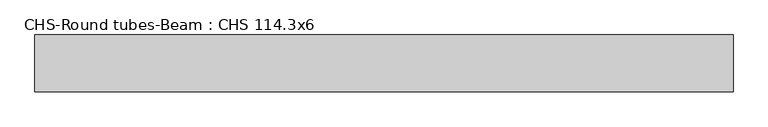
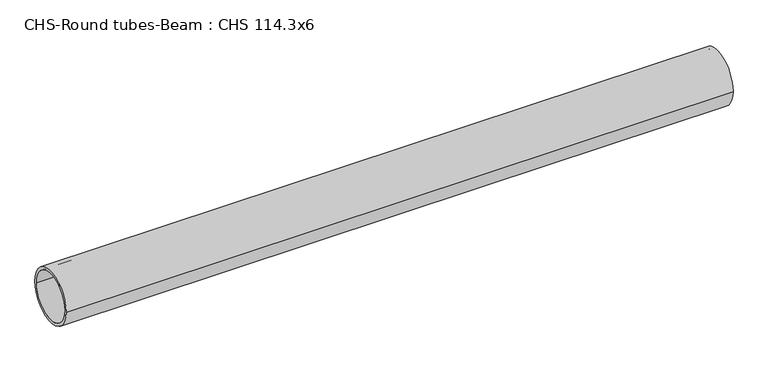
"""IFC4 building model written with IfcOpenShell, lengths in millimetres: beam geometry, CHS-Round tubes-Beam : CHS 114.3x6."""

import ifcopenshell
import ifcopenshell.guid

model = None  # the IFC model being written
_history = None  # IfcOwnerHistory: only IFC2X3 demands one
_inside = {}  # id of a spatial element -> (the spatial element, [elements in it])
_under = {}  # id of a project, library or spatial element -> (it, [spatial elements below it])
_declared = {}  # id of a project -> (the project, [libraries it declares])
_typed = {}  # id of a type object -> (the type object, [elements of that type])
_made_of = {}  # id of a material, layer set ... -> (it, [elements and type objects made of it])


def new_model(schema):
    """Start an empty IFC model of exactly this schema.

    Asked for "IFC4X3", IfcOpenShell would pick the latest addendum, in which some entities
    have other attributes; the version numbers below select the first issue.
    IFC2X3 requires an IfcOwnerHistory on every rooted entity: one is made here for all.
    """
    global model, _history
    if schema == "IFC4X3":
        model = ifcopenshell.file(schema_version=(4, 3, 0, 0))
    else:
        model = ifcopenshell.file(schema=schema)
    _inside.clear()
    _under.clear()
    _declared.clear()
    _typed.clear()
    _made_of.clear()
    _history = None
    if model.schema == "IFC2X3":
        org = make("IfcOrganization", Name="unknown")
        user = make(
            "IfcPersonAndOrganization",
            ThePerson=make("IfcPerson", FamilyName="unknown"),
            TheOrganization=org,
        )
        app = make(
            "IfcApplication",
            ApplicationDeveloper=org,
            Version="unknown",
            ApplicationFullName="unknown",
            ApplicationIdentifier="unknown",
        )
        _history = make(
            "IfcOwnerHistory",
            OwningUser=user,
            OwningApplication=app,
            ChangeAction="ADDED",
            CreationDate=0,
        )
    return model


def make(cls, **values):
    """One entity of the class cls with the attributes given. An attribute that is None is left unset."""
    return model.create_entity(
        cls, **{name: value for name, value in values.items() if value is not None}
    )


def rooted(cls, **values):
    """An entity with a GlobalId (a new one), such as an element, a storey or a relation."""
    return make(cls, GlobalId=ifcopenshell.guid.new(), OwnerHistory=_history, **values)


def si_unit(unit_type, name, prefix=None):
    """IfcSIUnit, for example si_unit("LENGTHUNIT", "METRE", prefix="MILLI")."""
    return make("IfcSIUnit", UnitType=unit_type, Prefix=prefix, Name=name)


def assignment(units):
    """IfcUnitAssignment: the units of a project."""
    return None if units is None else make("IfcUnitAssignment", Units=units)


def point(xyz):
    """IfcCartesianPoint."""
    return None if xyz is None else make("IfcCartesianPoint", Coordinates=xyz)


def direction(xyz):
    """IfcDirection."""
    return None if xyz is None else make("IfcDirection", DirectionRatios=xyz)


def frame(location, z_axis=None, x_axis=None):
    """IfcAxis2Placement3D, a coordinate frame: its origin and axes. An axis left out is left unset."""
    return make(
        "IfcAxis2Placement3D",
        Location=point(location),
        Axis=direction(z_axis),
        RefDirection=direction(x_axis),
    )


def frame_2d(location, x_axis=None):
    """IfcAxis2Placement2D, a coordinate frame in the plane: its origin and x axis."""
    return make(
        "IfcAxis2Placement2D", Location=point(location), RefDirection=direction(x_axis)
    )


def origin():
    """The frame at (0, 0, 0) with its axes left unset."""
    return frame((0.0, 0.0, 0.0))


def origin_2d():
    """The frame at (0, 0) in the plane with its x axis left unset."""
    return frame_2d((0.0, 0.0))


def place(relative_to, where):
    """IfcLocalPlacement: puts the frame where relative to a parent placement (None: the world)."""
    return make(
        "IfcLocalPlacement", PlacementRelTo=relative_to, RelativePlacement=where
    )


def context(
    kind, dimensions, precision=None, world=None, true_north=None, identifier=None
):
    """IfcGeometricRepresentationContext, for example the 3D "Model" context."""
    return make(
        "IfcGeometricRepresentationContext",
        ContextIdentifier=identifier,
        ContextType=kind,
        CoordinateSpaceDimension=dimensions,
        Precision=precision,
        WorldCoordinateSystem=world,
        TrueNorth=true_north,
    )


def project(units=None, contexts=None):
    """IfcProject with its units and contexts."""
    return rooted(
        "IfcProject",
        Name="project",
        RepresentationContexts=contexts,
        UnitsInContext=assignment(units),
    )


def spatial(cls, under=None, at=None, **own):
    """A site, building, storey or space (cls), placed at a placement, below another one or the project."""
    s = rooted(cls, ObjectPlacement=at, **own)
    if under is not None:
        _under.setdefault(under.id(), (under, []))[1].append(s)
    return s


def circle_curve(where, radius):
    """IfcCircle in the frame where."""
    return make("IfcCircle", Position=where, Radius=radius)


def trimmed(basis, trim1, trim2, sense, master):
    """IfcTrimmedCurve: the piece of a basis curve between two trims."""
    return make(
        "IfcTrimmedCurve",
        BasisCurve=basis,
        Trim1=trim1,
        Trim2=trim2,
        SenseAgreement=sense,
        MasterRepresentation=master,
    )


def segment(curve, same_sense, transition):
    """IfcCompositeCurveSegment."""
    return make(
        "IfcCompositeCurveSegment",
        Transition=transition,
        SameSense=same_sense,
        ParentCurve=curve,
    )


def composite_curve(segments, self_intersect=None):
    """IfcCompositeCurve: segments joined end to end."""
    return make("IfcCompositeCurve", Segments=segments, SelfIntersect=self_intersect)


def outline(outer, holes=None, kind="AREA"):
    """IfcArbitraryClosedProfileDef: a profile drawn as a closed curve; with holes, ...WithVoids."""
    if holes is None:
        return make("IfcArbitraryClosedProfileDef", ProfileType=kind, OuterCurve=outer)
    return make(
        "IfcArbitraryProfileDefWithVoids",
        ProfileType=kind,
        OuterCurve=outer,
        InnerCurves=holes,
    )


def extrude(swept, where, along, depth):
    """IfcExtrudedAreaSolid: the profile swept, set in the frame where, extruded along a direction by depth."""
    return make(
        "IfcExtrudedAreaSolid",
        SweptArea=swept,
        Position=where,
        ExtrudedDirection=direction(along),
        Depth=depth,
    )


def shape(context_of_items, identifier, shape_type, items):
    """IfcShapeRepresentation: the items that make up one representation, for example the "Body"."""
    return make(
        "IfcShapeRepresentation",
        ContextOfItems=context_of_items,
        RepresentationIdentifier=identifier,
        RepresentationType=shape_type,
        Items=items,
    )


def source(mapping_origin, context_of_items, identifier, shape_type, items):
    """IfcRepresentationMap: a shape defined once, which mapped items show again and again."""
    return make(
        "IfcRepresentationMap",
        MappingOrigin=mapping_origin,
        MappedRepresentation=shape(context_of_items, identifier, shape_type, items),
    )


def transform(
    local_origin,
    x_axis=None,
    y_axis=None,
    z_axis=None,
    scale=None,
    scale2=None,
    scale3=None,
    uniform=True,
):
    """IfcCartesianTransformationOperator3D, or its non-uniform kind. x_axis, y_axis, z_axis: its Axis1, 2, 3."""
    if uniform:
        return make(
            "IfcCartesianTransformationOperator3D",
            Axis1=direction(x_axis),
            Axis2=direction(y_axis),
            LocalOrigin=point(local_origin),
            Scale=scale,
            Axis3=direction(z_axis),
        )
    return make(
        "IfcCartesianTransformationOperator3DnonUniform",
        Axis1=direction(x_axis),
        Axis2=direction(y_axis),
        LocalOrigin=point(local_origin),
        Scale=scale,
        Axis3=direction(z_axis),
        Scale2=scale2,
        Scale3=scale3,
    )


def mapped(mapping_source, mapping_target):
    """IfcMappedItem: shows the shape of a source again, moved by a transform."""
    return make(
        "IfcMappedItem", MappingSource=mapping_source, MappingTarget=mapping_target
    )


def made_of(thing, what):
    """Note that an element or type object is made of a material, layer set ...; save() writes the relation."""
    if what is not None:
        _made_of.setdefault(what.id(), (what, []))[1].append(thing)
    return thing


def element(
    cls,
    number,
    at=None,
    inside=None,
    cuts=None,
    type_object=None,
    material=None,
    context=None,
    identifier="Body",
    shape_type=None,
    held_by="IfcProductDefinitionShape",
    body=None,
    shapes=None,
    **own,
):
    """One element of the class cls, such as IfcWall. Its Tag is "e" and its number.

    at: its placement. inside: the storey or other place that contains it. cuts: it is an
    opening in that element (IfcRelVoidsElement). A single representation is given by context,
    identifier, shape_type and body (its items); several are given by shapes. held_by: the class
    of the entity that holds the representations. save() writes the other relations.
    """
    e = rooted(cls, Tag="e%d" % number, ObjectPlacement=at, **own)
    if body is not None:
        shapes = [shape(context, identifier, shape_type, body)]
    if shapes is not None:
        e.Representation = make(held_by, Representations=shapes)
    if inside is not None:
        _inside.setdefault(inside.id(), (inside, []))[1].append(e)
    if cuts is not None:
        rooted(
            "IfcRelVoidsElement", RelatingBuildingElement=cuts, RelatedOpeningElement=e
        )
    if type_object is not None:
        _typed.setdefault(type_object.id(), (type_object, []))[1].append(e)
    return made_of(e, material)


def aggregate(whole, parts):
    """IfcRelAggregates: a whole, such as a stair, and the parts it consists of."""
    return rooted("IfcRelAggregates", RelatingObject=whole, RelatedObjects=parts)


def save(model, path):
    """Write the relations noted so far, then the file.

    IfcRelAggregates (storeys below a building ...), IfcRelContainedInSpatialStructure (elements
    in a storey), IfcRelDefinesByType, IfcRelAssociatesMaterial and IfcRelDeclares: one each for
    every whole, place, type object, material and project.
    """
    for whole, parts in _under.values():
        aggregate(whole, parts)
    for where, things in _inside.values():
        rooted(
            "IfcRelContainedInSpatialStructure",
            RelatedElements=things,
            RelatingStructure=where,
        )
    for kind, things in _typed.values():
        rooted("IfcRelDefinesByType", RelatedObjects=things, RelatingType=kind)
    for what, things in _made_of.values():
        rooted("IfcRelAssociatesMaterial", RelatedObjects=things, RelatingMaterial=what)
    for by, libraries in _declared.values():
        rooted("IfcRelDeclares", RelatingContext=by, RelatedDefinitions=libraries)
    model.write(path)


def chs_round_tubes_beam_chs_114_3x6_b3b488d2(model_context):
    return source(origin(), model_context, "Body", "SweptSolid", [
        extrude(outline(composite_curve([segment(trimmed(circle_curve(origin_2d(), 57.15), [point((57.15, 0.0))], [point((-57.15, 0.0))], False, "CARTESIAN"), True, "CONTINUOUS"), segment(trimmed(circle_curve(origin_2d(), 57.15), [point((-57.15, 0.0))], [point((57.15, 0.0))], False, "CARTESIAN"), True, "CONTINUOUS")], self_intersect=False), holes=[composite_curve([segment(trimmed(circle_curve(origin_2d(), 51.15), [point((51.15, 0.0))], [point((-51.15, 0.0))], True, "CARTESIAN"), True, "CONTINUOUS"), segment(trimmed(circle_curve(origin_2d(), 51.15), [point((-51.15, 0.0))], [point((51.15, 0.0))], True, "CARTESIAN"), True, "CONTINUOUS")], self_intersect=False)]), frame((-702.0914916, 0.0, 0.0), z_axis=(1.0, 0.0, 0.0), x_axis=(0.0, 1.0, 0.0)), (0.0, 0.0, 1.0), 1405.1052569),
    ])


if __name__ == "__main__":
    model = new_model("IFC4")
    model_context = context("Model", 3, world=origin())
    ifc_project = project(units=[si_unit("LENGTHUNIT", "METRE", prefix="MILLI")], contexts=[model_context])
    site = spatial("IfcSite", under=ifc_project)
    building = spatial("IfcBuilding", under=site)
    placement = place(None, origin())
    chs_round_tubes_beam_chs_114_3x6_shape = chs_round_tubes_beam_chs_114_3x6_b3b488d2(model_context)
    element("IfcBeam", 1, ObjectType="CHS-Round tubes-Beam : CHS 114.3x6", at=placement, inside=building, context=model_context, shape_type="MappedRepresentation", body=[
        mapped(chs_round_tubes_beam_chs_114_3x6_shape, transform((0.0, 0.0, 0.0), x_axis=(1.0, 0.0, 0.0), y_axis=(0.0, 1.0, 0.0), z_axis=(0.0, 0.0, 1.0))),
    ])
    save(model, "model.ifc")
